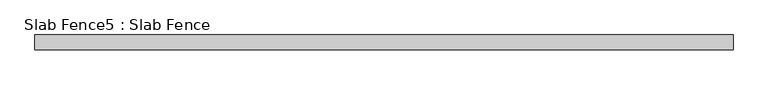
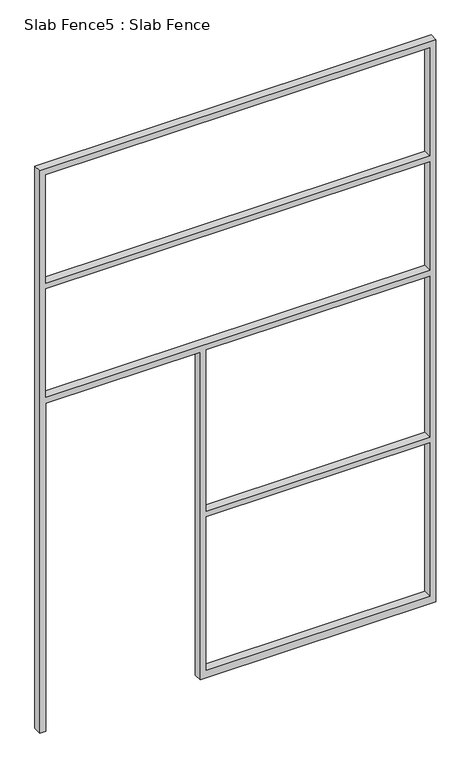
"""IFC4 building model written with IfcOpenShell, lengths in millimetres: proxy geometry, Slab Fence5 : Slab Fence."""

from ifc_helpers import new_model, si_unit, frame, origin, place, context, project, spatial, polyline, outline, extrude, source, transform, mapped, element, save


def slab_fence5_slab_fence_f579d16d(model_context):
    return source(origin(), model_context, "Body", "SweptSolid", [
        extrude(outline(polyline([(3657.6, -2987.6848205), (0.0, -2987.6848205), (0.0, -2949.5848205), (2133.6, -2949.5848205), (2133.6, -2000.2598205), (0.0, -2000.2598205), (0.0, -1962.1598205), (0.0, -549.2848205), (3657.6, -549.2848205), (3657.6, -2987.6848205)]), holes=[polyline([(2876.55, -2949.5848205), (2876.55, -587.3848205), (2171.7, -587.3848205), (2171.7, -2949.5848205), (2876.55, -2949.5848205)]), polyline([(3619.5, -587.3848205), (2914.65, -587.3848205), (2914.65, -2949.5848205), (3619.5, -2949.5848205), (3619.5, -587.3848205)]), polyline([(1085.85, -1962.1598205), (2133.6, -1962.1598205), (2133.6, -587.3848205), (1085.85, -587.3848205), (1085.85, -1962.1598205)]), polyline([(1047.75, -587.3848205), (50.8, -587.3848205), (50.8, -1962.1598205), (1047.75, -1962.1598205), (1047.75, -587.3848205)])]), frame((0.0, 21787.866085, 0.0), z_axis=(0.0, 1.0, 0.0), x_axis=(0.0, 0.0, 1.0)), (0.0, 0.0, 1.0), 52.001598),
    ])


if __name__ == "__main__":
    model = new_model("IFC4")
    model_context = context("Model", 3, world=origin())
    ifc_project = project(units=[si_unit("LENGTHUNIT", "METRE", prefix="MILLI")], contexts=[model_context])
    site = spatial("IfcSite", under=ifc_project)
    building = spatial("IfcBuilding", under=site)
    placement = place(None, origin())
    slab_fence5_slab_fence_shape = slab_fence5_slab_fence_f579d16d(model_context)
    element("IfcBuildingElementProxy", 1, Name="Slab Fence5 : Slab Fence", ObjectType="Slab Fence5 : Slab Fence", at=placement, inside=building, context=model_context, shape_type="MappedRepresentation", body=[
        mapped(slab_fence5_slab_fence_shape, transform((0.0, 0.0, 0.0), x_axis=(1.0, 0.0, 0.0), y_axis=(0.0, 1.0, 0.0), z_axis=(0.0, 0.0, 1.0))),
    ])
    save(model, "model.ifc")
